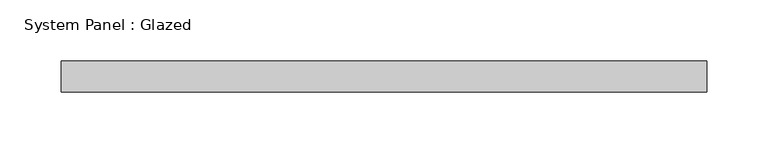
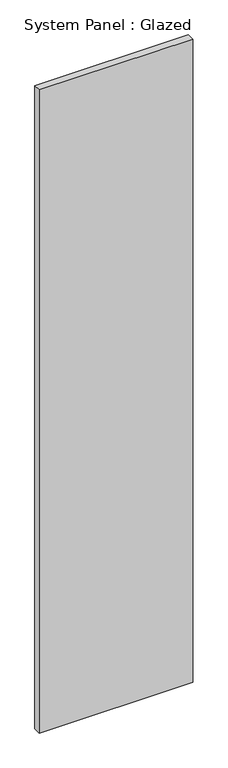
"""IFC4 building model written with IfcOpenShell, lengths in millimetres: plate geometry, System Panel : Glazed."""

from ifc_helpers import new_model, si_unit, origin, origin_with_axes, place, context, project, spatial, polyline, outline, extrude, source, transform, mapped, element, save


def system_panel_glazed_b80b7cf7(model_context):
    return source(origin(), model_context, "Body", "SweptSolid", [
        extrude(outline(polyline([(262.5, 24.5), (-262.5, 24.5), (-262.5, 49.5), (262.5, 49.5), (262.5, 24.5)])), origin_with_axes(), (0.0, 0.0, 1.0), 2325.0),
    ])


if __name__ == "__main__":
    model = new_model("IFC4")
    model_context = context("Model", 3, world=origin())
    ifc_project = project(units=[si_unit("LENGTHUNIT", "METRE", prefix="MILLI")], contexts=[model_context])
    site = spatial("IfcSite", under=ifc_project)
    building = spatial("IfcBuilding", under=site)
    placement = place(None, origin())
    system_panel_glazed_shape = system_panel_glazed_b80b7cf7(model_context)
    element("IfcPlate", 1, ObjectType="System Panel : Glazed", at=placement, inside=building, context=model_context, shape_type="MappedRepresentation", body=[
        mapped(system_panel_glazed_shape, transform((0.0, 0.0, 0.0), x_axis=(1.0, 0.0, 0.0), y_axis=(0.0, 1.0, 0.0), z_axis=(0.0, 0.0, 1.0))),
    ])
    save(model, "model.ifc")
